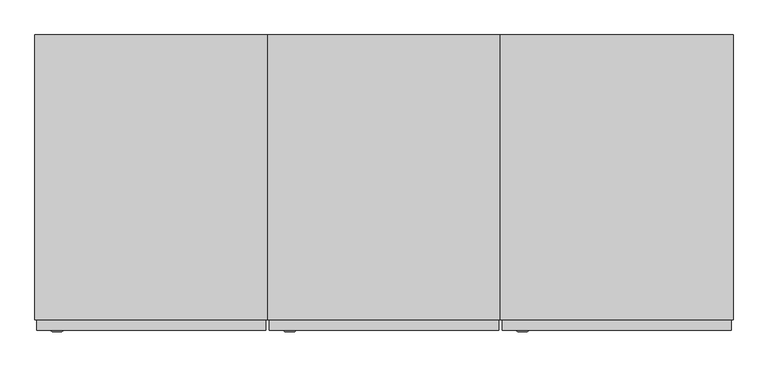
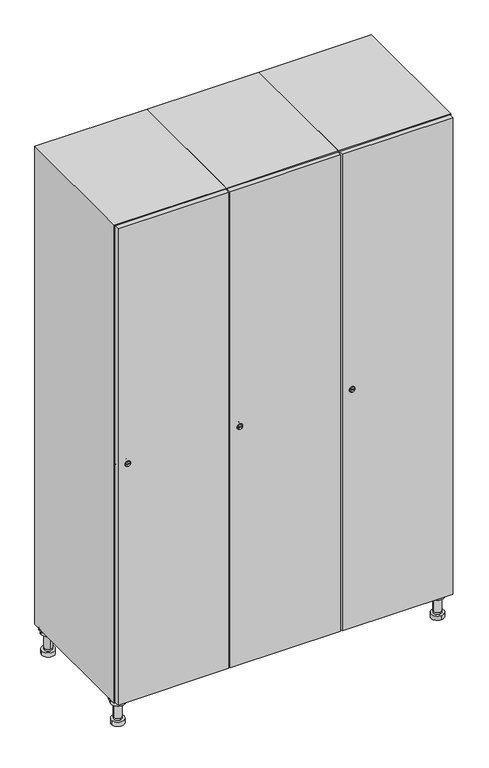
"""IFC4 building model written with IfcOpenShell, lengths in millimetres: furniture geometry."""

from ifc_helpers import new_model, si_unit, point, frame, frame_2d, origin, place, context, project, spatial, polyline, circle_curve, trimmed, segment, composite_curve, outline, extrude, faceted_brep, source, transform, mapped, element, save
from ifc_brep_helpers import plane_surface, cylinder_surface, revolved_surface, advanced_brep


def furniture_556ffae3(model_context):
    return source(origin(), model_context, "Body", "SolidModel", [
        advanced_brep(
        [(970.0, -201.0, 22.0), (970.0, -201.5, 16.0), (970.0, -228.5, 16.0), (970.0, -229.0, 22.0), (956.0, -215.0, 22.0), (984.0, -215.0, 22.0), (970.0, -192.5, 16.0), (970.0, -237.5, 16.0), (970.0, -192.5, 0.0), (970.0, -237.5, 0.0), (984.0, -215.0, 78.0), (956.0, -215.0, 78.0), (995.0, -215.0, 78.0), (945.0, -215.0, 78.0), (1000.0, -215.0, 94.0), (940.0, -215.0, 94.0), (945.0, -215.0, 94.0), (995.0, -215.0, 94.0), (1000.0, -215.0, 100.0), (940.0, -215.0, 100.0)],
        [
            (0, 1),
            (1, 2, circle_curve(frame((970.0, -215.0, 16.0), z_axis=(0.0, 0.0, 1.0), x_axis=(0.0, -1.0, 0.0)), 13.5)),
            (2, 3),
            (3, 4, circle_curve(frame((970.0, -215.0, 22.0), z_axis=(0.0, 0.0, -1.0), x_axis=(0.0, -1.0, 0.0)), 14.0)),
            (4, 0, circle_curve(frame((970.0, -215.0, 22.0), z_axis=(0.0, 0.0, -1.0), x_axis=(0.0, -1.0, 0.0)), 14.0)),
            (0, 5, circle_curve(frame((970.0, -215.0, 22.0), z_axis=(0.0, 0.0, -1.0), x_axis=(0.0, 1.0, 0.0)), 14.0)),
            (5, 3, circle_curve(frame((970.0, -215.0, 22.0), z_axis=(0.0, 0.0, -1.0), x_axis=(0.0, 1.0, 0.0)), 14.0)),
            (2, 1, circle_curve(frame((970.0, -215.0, 16.0), z_axis=(0.0, 0.0, 1.0), x_axis=(0.0, 1.0, 0.0)), 13.5)),
            (6, 7, circle_curve(frame((970.0, -215.0, 16.0), z_axis=(0.0, 0.0, 1.0), x_axis=(0.0, -1.0, 0.0)), 22.5)),
            (7, 6, circle_curve(frame((970.0, -215.0, 16.0), z_axis=(0.0, 0.0, 1.0), x_axis=(0.0, -1.0, 0.0)), 22.5)),
            (8, 9, circle_curve(frame((970.0, -215.0, 0.0), z_axis=(0.0, 0.0, -1.0), x_axis=(0.0, -1.0, 0.0)), 22.5)),
            (9, 8, circle_curve(frame((970.0, -215.0, 0.0), z_axis=(0.0, 0.0, -1.0), x_axis=(0.0, -1.0, 0.0)), 22.5)),
            (6, 8),
            (9, 7),
            (5, 10),
            (10, 11, circle_curve(frame((970.0, -215.0, 78.0), z_axis=(0.0, 0.0, -1.0), x_axis=(-1.0, 0.0, 0.0)), 14.0)),
            (11, 4),
            (11, 10, circle_curve(frame((970.0, -215.0, 78.0), z_axis=(0.0, 0.0, -1.0), x_axis=(-1.0, 0.0, 0.0)), 14.0)),
            (12, 13, circle_curve(frame((970.0, -215.0, 78.0), z_axis=(0.0, 0.0, -1.0), x_axis=(-1.0, 0.0, 0.0)), 25.0)),
            (13, 12, circle_curve(frame((970.0, -215.0, 78.0), z_axis=(0.0, 0.0, -1.0), x_axis=(-1.0, 0.0, 0.0)), 25.0)),
            (14, 15, circle_curve(frame((970.0, -215.0, 94.0), z_axis=(0.0, 0.0, -1.0), x_axis=(-1.0, 0.0, 0.0)), 30.0)),
            (15, 14, circle_curve(frame((970.0, -215.0, 94.0), z_axis=(0.0, 0.0, -1.0), x_axis=(-1.0, 0.0, 0.0)), 30.0)),
            (16, 17, circle_curve(frame((970.0, -215.0, 94.0), z_axis=(0.0, 0.0, 1.0), x_axis=(-1.0, 0.0, 0.0)), 25.0)),
            (17, 16, circle_curve(frame((970.0, -215.0, 94.0), z_axis=(0.0, 0.0, 1.0), x_axis=(-1.0, 0.0, 0.0)), 25.0)),
            (18, 19, circle_curve(frame((970.0, -215.0, 100.0), z_axis=(0.0, 0.0, 1.0), x_axis=(-1.0, 0.0, 0.0)), 30.0)),
            (19, 18, circle_curve(frame((970.0, -215.0, 100.0), z_axis=(0.0, 0.0, 1.0), x_axis=(-1.0, 0.0, 0.0)), 30.0)),
            (14, 18),
            (19, 15),
            (12, 17),
            (16, 13),
        ],
        [
            revolved_surface(polyline([(970.0, -201.5, 16.0), (970.0, -201.0, 22.0)]), (970.0, -215.0, -146.0), (0.0, 0.0, 1.0)),
            plane_surface(frame((970.0, 0.0, 16.0), z_axis=(0.0, 0.0, 1.0), x_axis=(0.0, -1.0, 0.0))),
            plane_surface(frame((970.0, 0.0, 0.0), z_axis=(0.0, 0.0, -1.0), x_axis=(0.0, -1.0, 0.0))),
            cylinder_surface(frame((970.0, -215.0, 16.0), z_axis=(0.0, 0.0, 1.0), x_axis=(0.0, -1.0, 0.0)), 22.5),
            cylinder_surface(frame((970.0, -215.0, 22.0), z_axis=(0.0, 0.0, -1.0), x_axis=(-1.0, 0.0, 0.0)), 14.0),
            plane_surface(frame((970.0, 0.0, 78.0), z_axis=(0.0, 0.0, -1.0), x_axis=(0.0, -1.0, 0.0))),
            plane_surface(frame((970.0, 0.0, 94.0), z_axis=(0.0, 0.0, -1.0), x_axis=(0.0, -1.0, 0.0))),
            plane_surface(frame((970.0, 0.0, 100.0), z_axis=(0.0, 0.0, 1.0), x_axis=(0.0, -1.0, 0.0))),
            cylinder_surface(frame((970.0, -215.0, 94.0), z_axis=(0.0, 0.0, -1.0), x_axis=(-1.0, 0.0, 0.0)), 30.0),
            cylinder_surface(frame((970.0, -215.0, 78.0), z_axis=(0.0, 0.0, -1.0), x_axis=(-1.0, 0.0, 0.0)), 25.0),
        ],
        [
            (0, [[1, 2, 3, 4, 5]]),
            (0, [[-1, 6, 7, -3, 8]]),
            (1, [[9, 10], [-2, -8]]),
            (2, [[11, 12]]),
            (3, [[-9, 13, -12, 14]]),
            (3, [[-10, -14, -11, -13]]),
            (4, [[15, 16, 17, -4, -7]]),
            (4, [[-15, -6, -5, -17, 18]]),
            (5, [[19, 20], [-16, -18]]),
            (6, [[21, 22], [23, 24]]),
            (7, [[25, 26]]),
            (8, [[-21, 27, -26, 28]]),
            (8, [[-22, -28, -25, -27]]),
            (9, [[-19, 29, -23, 30]]),
            (9, [[-20, -30, -24, -29]]),
        ],
    ),
        advanced_brep(
        [(-170.0, -201.0, 22.0), (-170.0, -201.5, 16.0), (-170.0, -228.5, 16.0), (-170.0, -229.0, 22.0), (-184.0, -215.0, 22.0), (-156.0, -215.0, 22.0), (-147.5, -215.0, 0.0), (-192.5, -215.0, 0.0), (-147.5, -215.0, 16.0), (-192.5, -215.0, 16.0), (-156.0, -215.0, 78.0), (-184.0, -215.0, 78.0), (-145.0, -215.0, 78.0), (-195.0, -215.0, 78.0), (-140.0, -215.0, 94.0), (-200.0, -215.0, 94.0), (-195.0, -215.0, 94.0), (-145.0, -215.0, 94.0), (-140.0, -215.0, 100.0), (-200.0, -215.0, 100.0)],
        [
            (0, 1),
            (1, 2, circle_curve(frame((-170.0, -215.0, 16.0), z_axis=(0.0, 0.0, 1.0), x_axis=(0.0, -1.0, 0.0)), 13.5)),
            (2, 3),
            (3, 4, circle_curve(frame((-170.0, -215.0, 22.0), z_axis=(0.0, 0.0, -1.0), x_axis=(0.0, -1.0, 0.0)), 14.0)),
            (4, 0, circle_curve(frame((-170.0, -215.0, 22.0), z_axis=(0.0, 0.0, -1.0), x_axis=(0.0, -1.0, 0.0)), 14.0)),
            (0, 5, circle_curve(frame((-170.0, -215.0, 22.0), z_axis=(0.0, 0.0, -1.0), x_axis=(0.0, 1.0, 0.0)), 14.0)),
            (5, 3, circle_curve(frame((-170.0, -215.0, 22.0), z_axis=(0.0, 0.0, -1.0), x_axis=(0.0, 1.0, 0.0)), 14.0)),
            (2, 1, circle_curve(frame((-170.0, -215.0, 16.0), z_axis=(0.0, 0.0, 1.0), x_axis=(0.0, 1.0, 0.0)), 13.5)),
            (6, 7, circle_curve(frame((-170.0, -215.0, 0.0), z_axis=(0.0, 0.0, -1.0), x_axis=(-1.0, 0.0, 0.0)), 22.5)),
            (7, 6, circle_curve(frame((-170.0, -215.0, 0.0), z_axis=(0.0, 0.0, -1.0), x_axis=(-1.0, 0.0, 0.0)), 22.5)),
            (8, 9, circle_curve(frame((-170.0, -215.0, 16.0), z_axis=(0.0, 0.0, 1.0), x_axis=(-1.0, 0.0, 0.0)), 22.5)),
            (9, 8, circle_curve(frame((-170.0, -215.0, 16.0), z_axis=(0.0, 0.0, 1.0), x_axis=(-1.0, 0.0, 0.0)), 22.5)),
            (6, 8),
            (9, 7),
            (5, 10),
            (10, 11, circle_curve(frame((-170.0, -215.0, 78.0), z_axis=(0.0, 0.0, -1.0), x_axis=(-1.0, 0.0, 0.0)), 14.0)),
            (11, 4),
            (11, 10, circle_curve(frame((-170.0, -215.0, 78.0), z_axis=(0.0, 0.0, -1.0), x_axis=(-1.0, 0.0, 0.0)), 14.0)),
            (12, 13, circle_curve(frame((-170.0, -215.0, 78.0), z_axis=(0.0, 0.0, -1.0), x_axis=(-1.0, 0.0, 0.0)), 25.0)),
            (13, 12, circle_curve(frame((-170.0, -215.0, 78.0), z_axis=(0.0, 0.0, -1.0), x_axis=(-1.0, 0.0, 0.0)), 25.0)),
            (14, 15, circle_curve(frame((-170.0, -215.0, 94.0), z_axis=(0.0, 0.0, -1.0), x_axis=(-1.0, 0.0, 0.0)), 30.0)),
            (15, 14, circle_curve(frame((-170.0, -215.0, 94.0), z_axis=(0.0, 0.0, -1.0), x_axis=(-1.0, 0.0, 0.0)), 30.0)),
            (16, 17, circle_curve(frame((-170.0, -215.0, 94.0), z_axis=(0.0, 0.0, 1.0), x_axis=(-1.0, 0.0, 0.0)), 25.0)),
            (17, 16, circle_curve(frame((-170.0, -215.0, 94.0), z_axis=(0.0, 0.0, 1.0), x_axis=(-1.0, 0.0, 0.0)), 25.0)),
            (18, 19, circle_curve(frame((-170.0, -215.0, 100.0), z_axis=(0.0, 0.0, 1.0), x_axis=(-1.0, 0.0, 0.0)), 30.0)),
            (19, 18, circle_curve(frame((-170.0, -215.0, 100.0), z_axis=(0.0, 0.0, 1.0), x_axis=(-1.0, 0.0, 0.0)), 30.0)),
            (14, 18),
            (19, 15),
            (12, 17),
            (16, 13),
        ],
        [
            revolved_surface(polyline([(-170.0, -201.5, 16.0), (-170.0, -201.0, 22.0)]), (-170.0, -215.0, -146.0), (0.0, 0.0, 1.0)),
            plane_surface(frame((-170.0, 0.0, 0.0), z_axis=(0.0, 0.0, -1.0), x_axis=(0.0, -1.0, 0.0))),
            plane_surface(frame((-170.0, 0.0, 16.0), z_axis=(0.0, 0.0, 1.0), x_axis=(0.0, -1.0, 0.0))),
            cylinder_surface(frame((-170.0, -215.0, 0.0), z_axis=(0.0, 0.0, -1.0), x_axis=(-1.0, 0.0, 0.0)), 22.5),
            cylinder_surface(frame((-170.0, -215.0, 22.0), z_axis=(0.0, 0.0, -1.0), x_axis=(-1.0, 0.0, 0.0)), 14.0),
            plane_surface(frame((-170.0, 0.0, 78.0), z_axis=(0.0, 0.0, -1.0), x_axis=(0.0, -1.0, 0.0))),
            plane_surface(frame((-170.0, 0.0, 94.0), z_axis=(0.0, 0.0, -1.0), x_axis=(0.0, -1.0, 0.0))),
            plane_surface(frame((-170.0, 0.0, 100.0), z_axis=(0.0, 0.0, 1.0), x_axis=(0.0, -1.0, 0.0))),
            cylinder_surface(frame((-170.0, -215.0, 94.0), z_axis=(0.0, 0.0, -1.0), x_axis=(-1.0, 0.0, 0.0)), 30.0),
            cylinder_surface(frame((-170.0, -215.0, 78.0), z_axis=(0.0, 0.0, -1.0), x_axis=(-1.0, 0.0, 0.0)), 25.0),
        ],
        [
            (0, [[1, 2, 3, 4, 5]]),
            (0, [[-1, 6, 7, -3, 8]]),
            (1, [[9, 10]]),
            (2, [[11, 12], [-2, -8]]),
            (3, [[-9, 13, -12, 14]]),
            (3, [[-10, -14, -11, -13]]),
            (4, [[15, 16, 17, -4, -7]]),
            (4, [[-15, -6, -5, -17, 18]]),
            (5, [[19, 20], [-16, -18]]),
            (6, [[21, 22], [23, 24]]),
            (7, [[25, 26]]),
            (8, [[-21, 27, -26, 28]]),
            (8, [[-22, -28, -25, -27]]),
            (9, [[-19, 29, -23, 30]]),
            (9, [[-20, -30, -24, -29]]),
        ],
    ),
        advanced_brep(
        [(983.5, 215.0, 16.0), (984.0, 215.0, 22.0), (956.0, 215.0, 22.0), (956.5, 215.0, 16.0), (992.5, 215.0, 0.0), (947.5, 215.0, 0.0), (992.5, 215.0, 16.0), (947.5, 215.0, 16.0), (984.0, 215.0, 78.0), (956.0, 215.0, 78.0), (995.0, 215.0, 78.0), (945.0, 215.0, 78.0), (1000.0, 215.0, 94.0), (940.0, 215.0, 94.0), (945.0, 215.0, 94.0), (995.0, 215.0, 94.0), (1000.0, 215.0, 100.0), (940.0, 215.0, 100.0)],
        [
            (0, 1),
            (1, 2, circle_curve(frame((970.0, 215.0, 22.0), z_axis=(0.0, 0.0, -1.0), x_axis=(-1.0, 0.0, 0.0)), 14.0)),
            (2, 3),
            (3, 0, circle_curve(frame((970.0, 215.0, 16.0), z_axis=(0.0, 0.0, 1.0), x_axis=(-1.0, 0.0, 0.0)), 13.5)),
            (0, 3, circle_curve(frame((970.0, 215.0, 16.0), z_axis=(0.0, 0.0, 1.0), x_axis=(1.0, 0.0, 0.0)), 13.5)),
            (2, 1, circle_curve(frame((970.0, 215.0, 22.0), z_axis=(0.0, 0.0, -1.0), x_axis=(1.0, 0.0, 0.0)), 14.0)),
            (4, 5, circle_curve(frame((970.0, 215.0, 0.0), z_axis=(0.0, 0.0, -1.0), x_axis=(-1.0, 0.0, 0.0)), 22.5)),
            (5, 4, circle_curve(frame((970.0, 215.0, 0.0), z_axis=(0.0, 0.0, -1.0), x_axis=(-1.0, 0.0, 0.0)), 22.5)),
            (6, 7, circle_curve(frame((970.0, 215.0, 16.0), z_axis=(0.0, 0.0, 1.0), x_axis=(-1.0, 0.0, 0.0)), 22.5)),
            (7, 6, circle_curve(frame((970.0, 215.0, 16.0), z_axis=(0.0, 0.0, 1.0), x_axis=(-1.0, 0.0, 0.0)), 22.5)),
            (4, 6),
            (7, 5),
            (1, 8),
            (8, 9, circle_curve(frame((970.0, 215.0, 78.0), z_axis=(0.0, 0.0, -1.0), x_axis=(-1.0, 0.0, 0.0)), 14.0)),
            (9, 2),
            (9, 8, circle_curve(frame((970.0, 215.0, 78.0), z_axis=(0.0, 0.0, -1.0), x_axis=(-1.0, 0.0, 0.0)), 14.0)),
            (10, 11, circle_curve(frame((970.0, 215.0, 78.0), z_axis=(0.0, 0.0, -1.0), x_axis=(-1.0, 0.0, 0.0)), 25.0)),
            (11, 10, circle_curve(frame((970.0, 215.0, 78.0), z_axis=(0.0, 0.0, -1.0), x_axis=(-1.0, 0.0, 0.0)), 25.0)),
            (12, 13, circle_curve(frame((970.0, 215.0, 94.0), z_axis=(0.0, 0.0, -1.0), x_axis=(-1.0, 0.0, 0.0)), 30.0)),
            (13, 12, circle_curve(frame((970.0, 215.0, 94.0), z_axis=(0.0, 0.0, -1.0), x_axis=(-1.0, 0.0, 0.0)), 30.0)),
            (14, 15, circle_curve(frame((970.0, 215.0, 94.0), z_axis=(0.0, 0.0, 1.0), x_axis=(-1.0, 0.0, 0.0)), 25.0)),
            (15, 14, circle_curve(frame((970.0, 215.0, 94.0), z_axis=(0.0, 0.0, 1.0), x_axis=(-1.0, 0.0, 0.0)), 25.0)),
            (16, 17, circle_curve(frame((970.0, 215.0, 100.0), z_axis=(0.0, 0.0, 1.0), x_axis=(-1.0, 0.0, 0.0)), 30.0)),
            (17, 16, circle_curve(frame((970.0, 215.0, 100.0), z_axis=(0.0, 0.0, 1.0), x_axis=(-1.0, 0.0, 0.0)), 30.0)),
            (12, 16),
            (17, 13),
            (10, 15),
            (14, 11),
        ],
        [
            revolved_surface(polyline([(983.5, 215.0, 16.0), (984.0, 215.0, 22.0)]), (970.0, 215.0, -146.0), (0.0, 0.0, 1.0)),
            plane_surface(frame((970.0, 0.0, 0.0), z_axis=(0.0, 0.0, -1.0), x_axis=(0.0, -1.0, 0.0))),
            plane_surface(frame((970.0, 0.0, 16.0), z_axis=(0.0, 0.0, 1.0), x_axis=(0.0, -1.0, 0.0))),
            cylinder_surface(frame((970.0, 215.0, 0.0), z_axis=(0.0, 0.0, -1.0), x_axis=(-1.0, 0.0, 0.0)), 22.5),
            cylinder_surface(frame((970.0, 215.0, 22.0), z_axis=(0.0, 0.0, -1.0), x_axis=(-1.0, 0.0, 0.0)), 14.0),
            plane_surface(frame((970.0, 0.0, 78.0), z_axis=(0.0, 0.0, -1.0), x_axis=(0.0, -1.0, 0.0))),
            plane_surface(frame((970.0, 0.0, 94.0), z_axis=(0.0, 0.0, -1.0), x_axis=(0.0, -1.0, 0.0))),
            plane_surface(frame((970.0, 0.0, 100.0), z_axis=(0.0, 0.0, 1.0), x_axis=(0.0, -1.0, 0.0))),
            cylinder_surface(frame((970.0, 215.0, 94.0), z_axis=(0.0, 0.0, -1.0), x_axis=(-1.0, 0.0, 0.0)), 30.0),
            cylinder_surface(frame((970.0, 215.0, 78.0), z_axis=(0.0, 0.0, -1.0), x_axis=(-1.0, 0.0, 0.0)), 25.0),
        ],
        [
            (0, [[1, 2, 3, 4]]),
            (0, [[-1, 5, -3, 6]]),
            (1, [[7, 8]]),
            (2, [[9, 10], [-4, -5]]),
            (3, [[-7, 11, -10, 12]]),
            (3, [[-8, -12, -9, -11]]),
            (4, [[13, 14, 15, -2]]),
            (4, [[-13, -6, -15, 16]]),
            (5, [[17, 18], [-14, -16]]),
            (6, [[19, 20], [21, 22]]),
            (7, [[23, 24]]),
            (8, [[-19, 25, -24, 26]]),
            (8, [[-20, -26, -23, -25]]),
            (9, [[-17, 27, -21, 28]]),
            (9, [[-18, -28, -22, -27]]),
        ],
    ),
        advanced_brep(
        [(-156.5, 215.0, 16.0), (-156.0, 215.0, 22.0), (-170.0, 201.0, 22.0), (-184.0, 215.0, 22.0), (-183.5, 215.0, 16.0), (-170.0, 229.0, 22.0), (-147.5, 215.0, 0.0), (-192.5, 215.0, 0.0), (-147.5, 215.0, 16.0), (-192.5, 215.0, 16.0), (-170.0, 229.0, 78.0), (-170.0, 201.0, 78.0), (-145.0, 215.0, 78.0), (-195.0, 215.0, 78.0), (-140.0, 215.0, 94.0), (-200.0, 215.0, 94.0), (-195.0, 215.0, 94.0), (-145.0, 215.0, 94.0), (-140.0, 215.0, 100.0), (-200.0, 215.0, 100.0)],
        [
            (0, 1),
            (1, 2, circle_curve(frame((-170.0, 215.0, 22.0), z_axis=(0.0, 0.0, -1.0), x_axis=(-1.0, 0.0, 0.0)), 14.0)),
            (2, 3, circle_curve(frame((-170.0, 215.0, 22.0), z_axis=(0.0, 0.0, -1.0), x_axis=(-1.0, 0.0, 0.0)), 14.0)),
            (3, 4),
            (4, 0, circle_curve(frame((-170.0, 215.0, 16.0), z_axis=(0.0, 0.0, 1.0), x_axis=(-1.0, 0.0, 0.0)), 13.5)),
            (0, 4, circle_curve(frame((-170.0, 215.0, 16.0), z_axis=(0.0, 0.0, 1.0), x_axis=(1.0, 0.0, 0.0)), 13.5)),
            (3, 5, circle_curve(frame((-170.0, 215.0, 22.0), z_axis=(0.0, 0.0, -1.0), x_axis=(1.0, 0.0, 0.0)), 14.0)),
            (5, 1, circle_curve(frame((-170.0, 215.0, 22.0), z_axis=(0.0, 0.0, -1.0), x_axis=(1.0, 0.0, 0.0)), 14.0)),
            (6, 7, circle_curve(frame((-170.0, 215.0, 0.0), z_axis=(0.0, 0.0, -1.0), x_axis=(-1.0, 0.0, 0.0)), 22.5)),
            (7, 6, circle_curve(frame((-170.0, 215.0, 0.0), z_axis=(0.0, 0.0, -1.0), x_axis=(-1.0, 0.0, 0.0)), 22.5)),
            (8, 9, circle_curve(frame((-170.0, 215.0, 16.0), z_axis=(0.0, 0.0, 1.0), x_axis=(-1.0, 0.0, 0.0)), 22.5)),
            (9, 8, circle_curve(frame((-170.0, 215.0, 16.0), z_axis=(0.0, 0.0, 1.0), x_axis=(-1.0, 0.0, 0.0)), 22.5)),
            (6, 8),
            (9, 7),
            (10, 5),
            (2, 11),
            (11, 10, circle_curve(frame((-170.0, 215.0, 78.0), z_axis=(0.0, 0.0, -1.0), x_axis=(0.0, -1.0, 0.0)), 14.0)),
            (10, 11, circle_curve(frame((-170.0, 215.0, 78.0), z_axis=(0.0, 0.0, -1.0), x_axis=(0.0, -1.0, 0.0)), 14.0)),
            (12, 13, circle_curve(frame((-170.0, 215.0, 78.0), z_axis=(0.0, 0.0, -1.0), x_axis=(-1.0, 0.0, 0.0)), 25.0)),
            (13, 12, circle_curve(frame((-170.0, 215.0, 78.0), z_axis=(0.0, 0.0, -1.0), x_axis=(-1.0, 0.0, 0.0)), 25.0)),
            (14, 15, circle_curve(frame((-170.0, 215.0, 94.0), z_axis=(0.0, 0.0, -1.0), x_axis=(-1.0, 0.0, 0.0)), 30.0)),
            (15, 14, circle_curve(frame((-170.0, 215.0, 94.0), z_axis=(0.0, 0.0, -1.0), x_axis=(-1.0, 0.0, 0.0)), 30.0)),
            (16, 17, circle_curve(frame((-170.0, 215.0, 94.0), z_axis=(0.0, 0.0, 1.0), x_axis=(-1.0, 0.0, 0.0)), 25.0)),
            (17, 16, circle_curve(frame((-170.0, 215.0, 94.0), z_axis=(0.0, 0.0, 1.0), x_axis=(-1.0, 0.0, 0.0)), 25.0)),
            (18, 19, circle_curve(frame((-170.0, 215.0, 100.0), z_axis=(0.0, 0.0, 1.0), x_axis=(-1.0, 0.0, 0.0)), 30.0)),
            (19, 18, circle_curve(frame((-170.0, 215.0, 100.0), z_axis=(0.0, 0.0, 1.0), x_axis=(-1.0, 0.0, 0.0)), 30.0)),
            (14, 18),
            (19, 15),
            (12, 17),
            (16, 13),
        ],
        [
            revolved_surface(polyline([(-156.5, 215.0, 16.0), (-156.0, 215.0, 22.0)]), (-170.0, 215.0, -146.0), (0.0, 0.0, 1.0)),
            plane_surface(frame((-170.0, 0.0, 0.0), z_axis=(0.0, 0.0, -1.0), x_axis=(0.0, -1.0, 0.0))),
            plane_surface(frame((-170.0, 0.0, 16.0), z_axis=(0.0, 0.0, 1.0), x_axis=(0.0, -1.0, 0.0))),
            cylinder_surface(frame((-170.0, 215.0, 0.0), z_axis=(0.0, 0.0, -1.0), x_axis=(-1.0, 0.0, 0.0)), 22.5),
            cylinder_surface(frame((-170.0, 215.0, 78.0), z_axis=(0.0, 0.0, 1.0), x_axis=(0.0, -1.0, 0.0)), 14.0),
            plane_surface(frame((-170.0, 0.0, 78.0), z_axis=(0.0, 0.0, -1.0), x_axis=(0.0, -1.0, 0.0))),
            plane_surface(frame((-170.0, 0.0, 94.0), z_axis=(0.0, 0.0, -1.0), x_axis=(0.0, -1.0, 0.0))),
            plane_surface(frame((-170.0, 0.0, 100.0), z_axis=(0.0, 0.0, 1.0), x_axis=(0.0, -1.0, 0.0))),
            cylinder_surface(frame((-170.0, 215.0, 94.0), z_axis=(0.0, 0.0, -1.0), x_axis=(-1.0, 0.0, 0.0)), 30.0),
            cylinder_surface(frame((-170.0, 215.0, 78.0), z_axis=(0.0, 0.0, -1.0), x_axis=(-1.0, 0.0, 0.0)), 25.0),
        ],
        [
            (0, [[1, 2, 3, 4, 5]]),
            (0, [[-1, 6, -4, 7, 8]]),
            (1, [[9, 10]]),
            (2, [[11, 12], [-5, -6]]),
            (3, [[-9, 13, -12, 14]]),
            (3, [[-10, -14, -11, -13]]),
            (4, [[15, -7, -3, 16, 17]]),
            (4, [[-15, 18, -16, -2, -8]]),
            (5, [[19, 20], [-17, -18]]),
            (6, [[21, 22], [23, 24]]),
            (7, [[25, 26]]),
            (8, [[-21, 27, -26, 28]]),
            (8, [[-22, -28, -25, -27]]),
            (9, [[-19, 29, -23, 30]]),
            (9, [[-20, -30, -24, -29]]),
        ],
    ),
        extrude(outline(composite_curve([segment(trimmed(circle_curve(frame_2d((1000.0, 611.2010534)), 7.0), [point((1007.0, 611.2010534))], [point((993.0, 611.2010534))], False, "CARTESIAN"), True, "CONTINUOUS"), segment(polyline([(993.0, 611.2010534), (993.0, 639.2010534)]), True, "CONTINUOUS"), segment(trimmed(circle_curve(frame_2d((1000.0, 639.2010534)), 7.0), [point((993.0, 639.2010534))], [point((1007.0, 639.2010534))], False, "CARTESIAN"), True, "CONTINUOUS"), segment(polyline([(1007.0, 639.2010534), (1007.0, 611.2010534)]), True, "CONTINUOUS")], self_intersect=False)), frame((0.0, -245.0, 0.0), z_axis=(0.0, 1.0, 0.0), x_axis=(0.0, 0.0, 1.0)), (0.0, 0.0, 1.0), 2.0),
        advanced_brep(
        [(646.5, -265.2, 1000.0), (629.5, -265.2, 1000.0), (633.0, -265.2, 998.75), (633.0, -265.2, 1001.25), (643.0, -265.2, 1001.25), (643.0, -265.2, 998.75), (648.5, -263.0, 1000.0), (627.5, -263.0, 1000.0), (633.0, -263.0, 1001.25), (633.0, -263.0, 998.75), (643.0, -263.0, 998.75), (643.0, -263.0, 1001.25)],
        [
            (0, 1, circle_curve(frame((638.0, -265.2, 1000.0), z_axis=(0.0, -1.0, 0.0), x_axis=(1.0, 0.0, 0.0)), 8.5)),
            (1, 0, circle_curve(frame((638.0, -265.2, 1000.0), z_axis=(0.0, -1.0, 0.0), x_axis=(-1.0, 0.0, 0.0)), 8.5)),
            (2, 3),
            (3, 4),
            (4, 5),
            (5, 2),
            (6, 7, circle_curve(frame((638.0, -263.0, 1000.0), z_axis=(0.0, 1.0, 0.0), x_axis=(-1.0, 0.0, 0.0)), 10.5)),
            (7, 6, circle_curve(frame((638.0, -263.0, 1000.0), z_axis=(0.0, 1.0, 0.0), x_axis=(1.0, 0.0, 0.0)), 10.5)),
            (8, 9),
            (9, 10),
            (10, 11),
            (11, 8),
            (0, 6),
            (7, 1),
            (8, 3),
            (2, 9),
            (11, 4),
            (10, 5),
        ],
        [
            plane_surface(frame((638.0, -265.2, 1000.0), z_axis=(0.0, -1.0, 0.0), x_axis=(0.0, 0.0, 1.0))),
            plane_surface(frame((638.0, -263.0, 1000.0), z_axis=(0.0, 1.0, 0.0), x_axis=(0.0, 0.0, 1.0))),
            revolved_surface(polyline([(646.5, -265.2, 1000.0), (648.5, -263.0, 1000.0)]), (638.0, -274.55, 1000.0), (0.0, 1.0, 0.0)),
            revolved_surface(polyline([(629.5, -265.2, 1000.0), (627.5, -263.0, 1000.0)]), (638.0, -274.55, 1000.0), (0.0, 1.0, 0.0)),
            plane_surface(frame((633.0, -263.0, 998.75), z_axis=(1.0, 0.0, 0.0), x_axis=(0.0, -1.0, 0.0))),
            plane_surface(frame((633.0, -263.0, 1001.25), z_axis=(0.0, 0.0, -1.0), x_axis=(0.0, -1.0, 0.0))),
            plane_surface(frame((643.0, -263.0, 1001.25), z_axis=(-1.0, 0.0, 0.0), x_axis=(0.0, -1.0, 0.0))),
            plane_surface(frame((643.0, -263.0, 998.75), z_axis=(0.0, 0.0, 1.0), x_axis=(0.0, -1.0, 0.0))),
        ],
        [
            (0, [[1, 2], [3, 4, 5, 6]]),
            (1, [[7, 8], [9, 10, 11, 12]]),
            (2, [[-1, 13, -8, 14]]),
            (3, [[-2, -14, -7, -13]]),
            (4, [[15, -3, 16, -9]]),
            (5, [[-15, -12, 17, -4]]),
            (6, [[-17, -11, 18, -5]]),
            (7, [[-16, -6, -18, -10]]),
        ],
    ),
        extrude(outline(polyline([(997.0, -245.0), (997.0, -263.0), (603.0, -263.0), (603.0, -245.0), (997.0, -245.0)])), frame((0.0, 0.0, 103.0), z_axis=(0.0, 0.0, 1.0), x_axis=(1.0, 0.0, 0.0)), (0.0, 0.0, 1.0), 1794.0),
        faceted_brep([(1000.0, -245.0, 100.0), (1000.0, -245.0, 1900.0), (600.0, -245.0, 1900.0), (600.0, -245.0, 100.0), (982.0, -245.0, 1882.0), (982.0, -245.0, 118.0), (618.0, -245.0, 118.0), (618.0, -245.0, 1882.0), (1000.0, 245.0, 100.0), (600.0, 245.0, 100.0), (1000.0, 245.0, 1900.0), (600.0, 245.0, 1900.0), (982.0, 227.0, 1882.0), (982.0, 227.0, 118.0), (600.0, 245.0, 1882.0), (618.0, 227.0, 1882.0), (618.0, 227.0, 118.0)], [[[0, 1, 2, 3], [4, 5, 6, 7]], [[8, 0, 3, 9]], [[1, 0, 8, 10]], [[1, 10, 11, 2]], [[4, 12, 13, 5]], [[9, 3, 2, 11, 14]], [[10, 8, 9, 14, 11]], [[12, 15, 16, 13]], [[15, 7, 6, 16]], [[4, 7, 15, 12]], [[6, 5, 13, 16]]]),
        extrude(outline(composite_curve([segment(trimmed(circle_curve(frame_2d((1000.0, 211.2010534)), 7.0), [point((1007.0, 211.2010534))], [point((993.0, 211.2010534))], False, "CARTESIAN"), True, "CONTINUOUS"), segment(polyline([(993.0, 211.2010534), (993.0, 239.2010534)]), True, "CONTINUOUS"), segment(trimmed(circle_curve(frame_2d((1000.0, 239.2010534)), 7.0), [point((993.0, 239.2010534))], [point((1007.0, 239.2010534))], False, "CARTESIAN"), True, "CONTINUOUS"), segment(polyline([(1007.0, 239.2010534), (1007.0, 211.2010534)]), True, "CONTINUOUS")], self_intersect=False)), frame((0.0, -245.0, 0.0), z_axis=(0.0, 1.0, 0.0), x_axis=(0.0, 0.0, 1.0)), (0.0, 0.0, 1.0), 2.0),
        advanced_brep(
        [(246.5, -265.2, 1000.0), (229.5, -265.2, 1000.0), (233.0, -265.2, 998.75), (233.0, -265.2, 1001.25), (243.0, -265.2, 1001.25), (243.0, -265.2, 998.75), (248.5, -263.0, 1000.0), (227.5, -263.0, 1000.0), (233.0, -263.0, 1001.25), (233.0, -263.0, 998.75), (243.0, -263.0, 998.75), (243.0, -263.0, 1001.25)],
        [
            (0, 1, circle_curve(frame((238.0, -265.2, 1000.0), z_axis=(0.0, -1.0, 0.0), x_axis=(1.0, 0.0, 0.0)), 8.5)),
            (1, 0, circle_curve(frame((238.0, -265.2, 1000.0), z_axis=(0.0, -1.0, 0.0), x_axis=(-1.0, 0.0, 0.0)), 8.5)),
            (2, 3),
            (3, 4),
            (4, 5),
            (5, 2),
            (6, 7, circle_curve(frame((238.0, -263.0, 1000.0), z_axis=(0.0, 1.0, 0.0), x_axis=(-1.0, 0.0, 0.0)), 10.5)),
            (7, 6, circle_curve(frame((238.0, -263.0, 1000.0), z_axis=(0.0, 1.0, 0.0), x_axis=(1.0, 0.0, 0.0)), 10.5)),
            (8, 9),
            (9, 10),
            (10, 11),
            (11, 8),
            (0, 6),
            (7, 1),
            (8, 3),
            (2, 9),
            (11, 4),
            (10, 5),
        ],
        [
            plane_surface(frame((238.0, -265.2, 1000.0), z_axis=(0.0, -1.0, 0.0), x_axis=(0.0, 0.0, 1.0))),
            plane_surface(frame((238.0, -263.0, 1000.0), z_axis=(0.0, 1.0, 0.0), x_axis=(0.0, 0.0, 1.0))),
            revolved_surface(polyline([(246.5, -265.2, 1000.0), (248.5, -263.0, 1000.0)]), (238.0, -274.55, 1000.0), (0.0, 1.0, 0.0)),
            revolved_surface(polyline([(229.5, -265.2, 1000.0), (227.5, -263.0, 1000.0)]), (238.0, -274.55, 1000.0), (0.0, 1.0, 0.0)),
            plane_surface(frame((233.0, -263.0, 998.75), z_axis=(1.0, 0.0, 0.0), x_axis=(0.0, -1.0, 0.0))),
            plane_surface(frame((233.0, -263.0, 1001.25), z_axis=(0.0, 0.0, -1.0), x_axis=(0.0, -1.0, 0.0))),
            plane_surface(frame((243.0, -263.0, 1001.25), z_axis=(-1.0, 0.0, 0.0), x_axis=(0.0, -1.0, 0.0))),
            plane_surface(frame((243.0, -263.0, 998.75), z_axis=(0.0, 0.0, 1.0), x_axis=(0.0, -1.0, 0.0))),
        ],
        [
            (0, [[1, 2], [3, 4, 5, 6]]),
            (1, [[7, 8], [9, 10, 11, 12]]),
            (2, [[-1, 13, -8, 14]]),
            (3, [[-2, -14, -7, -13]]),
            (4, [[15, -3, 16, -9]]),
            (5, [[-15, -12, 17, -4]]),
            (6, [[-17, -11, 18, -5]]),
            (7, [[-16, -6, -18, -10]]),
        ],
    ),
        extrude(outline(polyline([(597.0, -245.0), (597.0, -263.0), (203.0, -263.0), (203.0, -245.0), (597.0, -245.0)])), frame((0.0, 0.0, 103.0), z_axis=(0.0, 0.0, 1.0), x_axis=(1.0, 0.0, 0.0)), (0.0, 0.0, 1.0), 1794.0),
        faceted_brep([(600.0, -245.0, 100.0), (600.0, -245.0, 1900.0), (200.0, -245.0, 1900.0), (200.0, -245.0, 100.0), (582.0, -245.0, 1882.0), (582.0, -245.0, 118.0), (218.0, -245.0, 118.0), (218.0, -245.0, 1882.0), (600.0, 245.0, 100.0), (200.0, 245.0, 100.0), (600.0, 245.0, 1900.0), (200.0, 245.0, 1900.0), (582.0, 227.0, 1882.0), (582.0, 227.0, 118.0), (200.0, 245.0, 1882.0), (218.0, 227.0, 1882.0), (218.0, 227.0, 118.0)], [[[0, 1, 2, 3], [4, 5, 6, 7]], [[8, 0, 3, 9]], [[1, 0, 8, 10]], [[1, 10, 11, 2]], [[4, 12, 13, 5]], [[9, 3, 2, 11, 14]], [[10, 8, 9, 14, 11]], [[12, 15, 16, 13]], [[15, 7, 6, 16]], [[4, 7, 15, 12]], [[6, 5, 13, 16]]]),
        extrude(outline(composite_curve([segment(trimmed(circle_curve(frame_2d((1000.0, -188.7989466)), 7.0), [point((1007.0, -188.7989466))], [point((993.0, -188.7989466))], False, "CARTESIAN"), True, "CONTINUOUS"), segment(polyline([(993.0, -188.7989466), (993.0, -160.7989466)]), True, "CONTINUOUS"), segment(trimmed(circle_curve(frame_2d((1000.0, -160.7989466)), 7.0), [point((993.0, -160.7989466))], [point((1007.0, -160.7989466))], False, "CARTESIAN"), True, "CONTINUOUS"), segment(polyline([(1007.0, -160.7989466), (1007.0, -188.7989466)]), True, "CONTINUOUS")], self_intersect=False)), frame((0.0, -245.0, 0.0), z_axis=(0.0, 1.0, 0.0), x_axis=(0.0, 0.0, 1.0)), (0.0, 0.0, 1.0), 2.0),
        advanced_brep(
        [(-153.5, -265.2, 1000.0), (-170.5, -265.2, 1000.0), (-167.0, -265.2, 998.75), (-167.0, -265.2, 1001.25), (-157.0, -265.2, 1001.25), (-157.0, -265.2, 998.75), (-151.5, -263.0, 1000.0), (-172.5, -263.0, 1000.0), (-167.0, -263.0, 1001.25), (-167.0, -263.0, 998.75), (-157.0, -263.0, 998.75), (-157.0, -263.0, 1001.25)],
        [
            (0, 1, circle_curve(frame((-162.0, -265.2, 1000.0), z_axis=(0.0, -1.0, 0.0), x_axis=(1.0, 0.0, 0.0)), 8.5)),
            (1, 0, circle_curve(frame((-162.0, -265.2, 1000.0), z_axis=(0.0, -1.0, 0.0), x_axis=(-1.0, 0.0, 0.0)), 8.5)),
            (2, 3),
            (3, 4),
            (4, 5),
            (5, 2),
            (6, 7, circle_curve(frame((-162.0, -263.0, 1000.0), z_axis=(0.0, 1.0, 0.0), x_axis=(-1.0, 0.0, 0.0)), 10.5)),
            (7, 6, circle_curve(frame((-162.0, -263.0, 1000.0), z_axis=(0.0, 1.0, 0.0), x_axis=(1.0, 0.0, 0.0)), 10.5)),
            (8, 9),
            (9, 10),
            (10, 11),
            (11, 8),
            (0, 6),
            (7, 1),
            (8, 3),
            (2, 9),
            (11, 4),
            (10, 5),
        ],
        [
            plane_surface(frame((-162.0, -265.2, 1000.0), z_axis=(0.0, -1.0, 0.0), x_axis=(0.0, 0.0, 1.0))),
            plane_surface(frame((-162.0, -263.0, 1000.0), z_axis=(0.0, 1.0, 0.0), x_axis=(0.0, 0.0, 1.0))),
            revolved_surface(polyline([(-153.5, -265.2, 1000.0), (-151.5, -263.0, 1000.0)]), (-162.0, -274.55, 1000.0), (0.0, 1.0, 0.0)),
            revolved_surface(polyline([(-170.5, -265.2, 1000.0), (-172.5, -263.0, 1000.0)]), (-162.0, -274.55, 1000.0), (0.0, 1.0, 0.0)),
            plane_surface(frame((-167.0, -263.0, 998.75), z_axis=(1.0, 0.0, 0.0), x_axis=(0.0, -1.0, 0.0))),
            plane_surface(frame((-167.0, -263.0, 1001.25), z_axis=(0.0, 0.0, -1.0), x_axis=(0.0, -1.0, 0.0))),
            plane_surface(frame((-157.0, -263.0, 1001.25), z_axis=(-1.0, 0.0, 0.0), x_axis=(0.0, -1.0, 0.0))),
            plane_surface(frame((-157.0, -263.0, 998.75), z_axis=(0.0, 0.0, 1.0), x_axis=(0.0, -1.0, 0.0))),
        ],
        [
            (0, [[1, 2], [3, 4, 5, 6]]),
            (1, [[7, 8], [9, 10, 11, 12]]),
            (2, [[-1, 13, -8, 14]]),
            (3, [[-2, -14, -7, -13]]),
            (4, [[15, -3, 16, -9]]),
            (5, [[-15, -12, 17, -4]]),
            (6, [[-17, -11, 18, -5]]),
            (7, [[-16, -6, -18, -10]]),
        ],
    ),
        extrude(outline(polyline([(197.0, -245.0), (197.0, -263.0), (-197.0, -263.0), (-197.0, -245.0), (197.0, -245.0)])), frame((0.0, 0.0, 103.0), z_axis=(0.0, 0.0, 1.0), x_axis=(1.0, 0.0, 0.0)), (0.0, 0.0, 1.0), 1794.0),
        faceted_brep([(200.0, -245.0, 100.0), (200.0, -245.0, 1900.0), (-200.0, -245.0, 1900.0), (-200.0, -245.0, 100.0), (182.0, -245.0, 1882.0), (182.0, -245.0, 118.0), (-182.0, -245.0, 118.0), (-182.0, -245.0, 1882.0), (200.0, 245.0, 100.0), (-200.0, 245.0, 100.0), (200.0, 245.0, 1900.0), (-200.0, 245.0, 1900.0), (182.0, 227.0, 1882.0), (182.0, 227.0, 118.0), (-200.0, 245.0, 1882.0), (-182.0, 227.0, 1882.0), (-182.0, 227.0, 118.0)], [[[0, 1, 2, 3], [4, 5, 6, 7]], [[8, 0, 3, 9]], [[1, 0, 8, 10]], [[1, 10, 11, 2]], [[4, 12, 13, 5]], [[9, 3, 2, 11, 14]], [[10, 8, 9, 14, 11]], [[12, 15, 16, 13]], [[15, 7, 6, 16]], [[4, 7, 15, 12]], [[6, 5, 13, 16]]]),
    ])


if __name__ == "__main__":
    model = new_model("IFC4")
    model_context = context("Model", 3, world=origin())
    ifc_project = project(units=[si_unit("LENGTHUNIT", "METRE", prefix="MILLI")], contexts=[model_context])
    site = spatial("IfcSite", under=ifc_project)
    building = spatial("IfcBuilding", under=site)
    placement = place(None, origin())
    furniture_shape = furniture_556ffae3(model_context)
    element("IfcFurniture", 1, at=placement, inside=building, context=model_context, shape_type="MappedRepresentation", body=[
        mapped(furniture_shape, transform((0.0, 0.0, 0.0), x_axis=(1.0, 0.0, 0.0), y_axis=(0.0, 1.0, 0.0), z_axis=(0.0, 0.0, 1.0))),
    ])
    save(model, "model.ifc")
